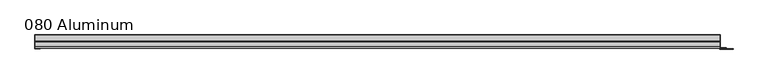
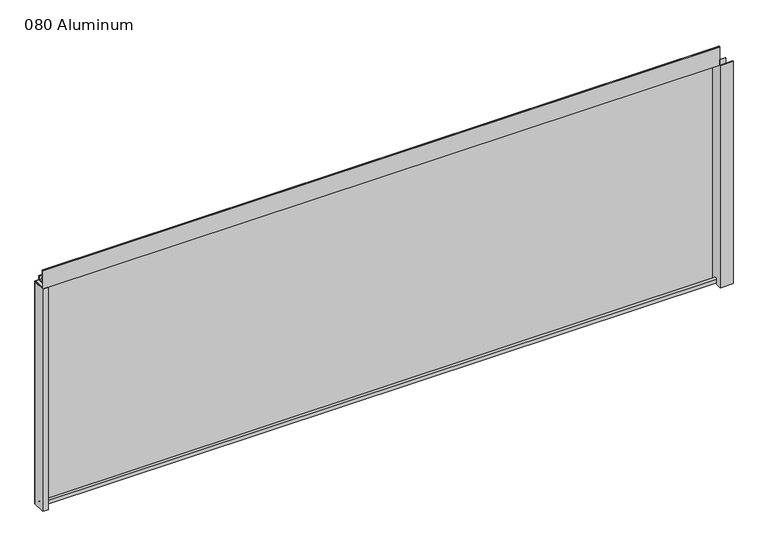
"""IFC4 building model written with IfcOpenShell, lengths in millimetres: plate geometry, 080 Aluminum."""

from ifc_helpers import new_model, si_unit, point, frame, frame_2d, origin, origin_with_axes, place, context, project, spatial, polyline, circle_curve, trimmed, segment, composite_curve, outline, extrude, source, transform, mapped, element, save


def plate_080_aluminum_83c80911(model_context):
    return source(origin(), model_context, "Body", "SweptSolid", [
        extrude(outline(polyline([(-881.38, 2.5660257), (-868.4894994, 2.5660257), (-868.4894994, 1.2699999), (-882.6499999, 1.2699999), (-882.6499999, 34.7980001), (-881.38, 34.7980001), (-881.38, 2.5660257)])), origin_with_axes(), (0.0, 0.0, 1.0), 608.33),
        extrude(outline(composite_curve([segment(trimmed(circle_curve(frame_2d((19.8514743, 13.124237)), 3.175), [point((16.6765477, 13.1458337))], [point((23.0264743, 13.124237))], False, "CARTESIAN"), True, "CONTINUOUS"), segment(polyline([(23.0264743, 13.124237), (23.0264743, 1.2693678), (34.7980002, 1.2693678), (34.7980002, 0.0), (21.7564743, 0.0), (21.7564743, 13.124237)]), True, "CONTINUOUS"), segment(trimmed(circle_curve(frame_2d((19.8514743, 13.124237)), 1.905), [point((21.7564743, 13.124237))], [point((17.9464915, 13.1323356))], True, "CARTESIAN"), True, "CONTINUOUS"), segment(polyline([(17.9464915, 13.1323356), (17.9464915, 2.786437), (16.6765477, 2.786437), (16.6765477, 13.1458337)]), True, "CONTINUOUS")], self_intersect=False)), frame((-881.38, 0.0, 0.0), z_axis=(1.0, 0.0, 0.0), x_axis=(0.0, 1.0, 0.0)), (0.0, 0.0, 1.0), 1750.06),
        extrude(outline(composite_curve([segment(trimmed(circle_curve(frame_2d((3.7084742, 656.7932001)), 1.6509999), [point((2.0574743, 656.7932001))], [point((5.3594742, 656.7932001))], False, "CARTESIAN"), True, "CONTINUOUS"), segment(polyline([(5.3594742, 656.7932001), (5.3594742, 623.57), (19.2164743, 623.57), (19.2164743, 633.6538), (20.4864742, 633.6538), (20.4864742, 622.3), (4.0894742, 622.3), (4.0894742, 656.7932001)]), True, "CONTINUOUS"), segment(trimmed(circle_curve(frame_2d((3.7084742, 656.7932001)), 0.3809999), [point((4.0894742, 656.7932001))], [point((3.3274743, 656.7932001))], True, "CARTESIAN"), True, "CONTINUOUS"), segment(polyline([(3.3274743, 656.7932001), (3.3274743, 609.6000001), (34.7980002, 609.6000001), (34.7980002, 608.33), (2.0574743, 608.33), (2.0574743, 656.7932001)]), True, "CONTINUOUS")], self_intersect=False)), frame((-881.38, 0.0, 0.0), z_axis=(1.0, 0.0, 0.0), x_axis=(0.0, 1.0, 0.0)), (0.0, 0.0, 1.0), 1750.06),
        extrude(outline(polyline([(-882.65, 36.068), (869.95, 36.068), (869.95, 34.7980001), (-882.65, 34.7980001), (-882.65, 36.068)])), origin_with_axes(), (0.0, 0.0, 1.0), 609.6),
        extrude(outline(polyline([(869.95, 1.2699999), (902.4620856, 1.2699999), (902.4620856, 0.0), (868.6800001, 0.0), (868.6800001, 34.7980002), (869.95, 34.7980002), (869.95, 1.2699999)])), origin_with_axes(), (0.0, 0.0, 1.0), 608.33),
        extrude(outline(polyline([(868.68, 3.3274743), (884.4279999, 3.3274743), (884.4279999, 2.0574743), (868.68, 2.0574743), (868.68, 3.3274743)])), origin_with_axes(), (0.0, 0.0, 1.0), 622.3),
    ])


if __name__ == "__main__":
    model = new_model("IFC4")
    model_context = context("Model", 3, world=origin())
    ifc_project = project(units=[si_unit("LENGTHUNIT", "METRE", prefix="MILLI")], contexts=[model_context])
    site = spatial("IfcSite", under=ifc_project)
    building = spatial("IfcBuilding", under=site)
    placement = place(None, origin())
    plate_080_aluminum_shape = plate_080_aluminum_83c80911(model_context)
    element("IfcPlate", 1, ObjectType="080 Aluminum", at=placement, inside=building, context=model_context, shape_type="MappedRepresentation", body=[
        mapped(plate_080_aluminum_shape, transform((0.0, 0.0, 0.0), x_axis=(1.0, 0.0, 0.0), y_axis=(0.0, 1.0, 0.0), z_axis=(0.0, 0.0, 1.0))),
    ])
    save(model, "model.ifc")
